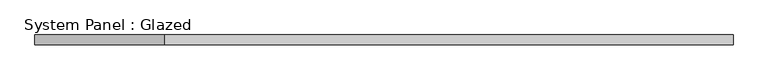
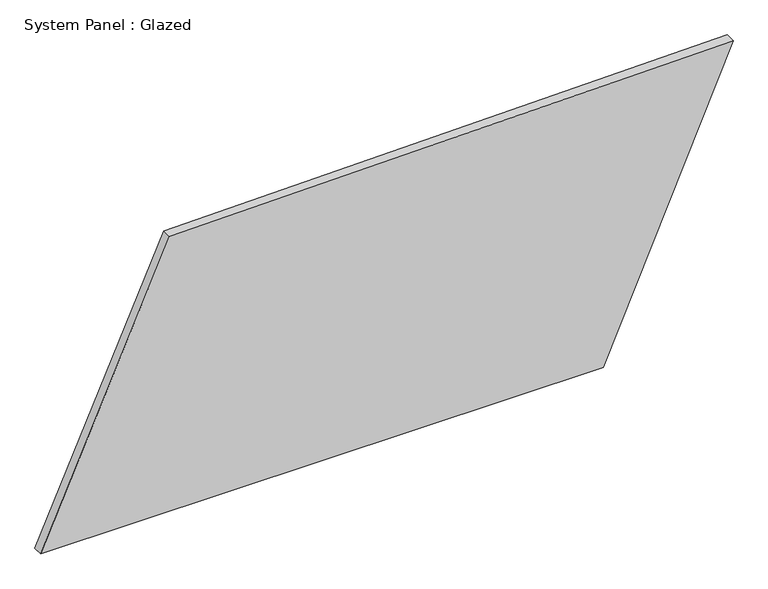
"""IFC4 building model written with IfcOpenShell, lengths in millimetres: plate geometry, System Panel : Glazed."""

from ifc_helpers import new_model, si_unit, frame, origin, place, context, project, spatial, polyline, outline, extrude, source, transform, mapped, element, save


def system_panel_glazed_d6193bd4(model_context):
    return source(origin(), model_context, "Body", "SweptSolid", [
        extrude(outline(polyline([(0.0, -883.2148204), (0.0, 552.0631128), (767.0539558, 883.2148204), (740.9844253, -554.6453976), (0.0, -883.2148204)])), frame((0.0, -49.5, 0.0), z_axis=(0.0, 1.0, 0.0), x_axis=(0.0, 0.0, 1.0)), (0.0, 0.0, 1.0), 25.0),
    ])


if __name__ == "__main__":
    model = new_model("IFC4")
    model_context = context("Model", 3, world=origin())
    ifc_project = project(units=[si_unit("LENGTHUNIT", "METRE", prefix="MILLI")], contexts=[model_context])
    site = spatial("IfcSite", under=ifc_project)
    building = spatial("IfcBuilding", under=site)
    placement = place(None, origin())
    system_panel_glazed_shape = system_panel_glazed_d6193bd4(model_context)
    element("IfcPlate", 1, ObjectType="System Panel : Glazed", at=placement, inside=building, context=model_context, shape_type="MappedRepresentation", body=[
        mapped(system_panel_glazed_shape, transform((0.0, 0.0, 0.0), x_axis=(1.0, 0.0, 0.0), y_axis=(0.0, 1.0, 0.0), z_axis=(0.0, 0.0, 1.0))),
    ])
    save(model, "model.ifc")
